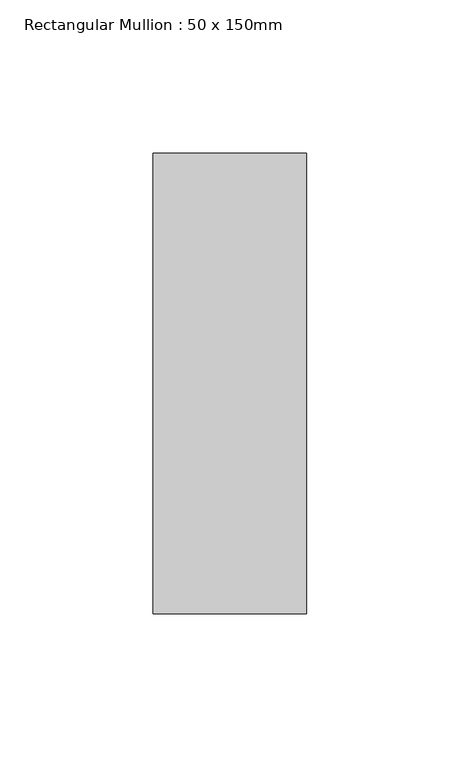
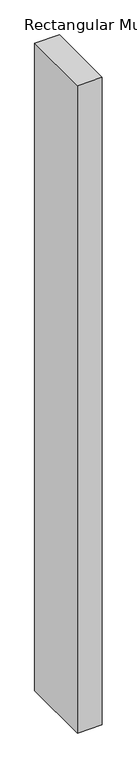
"""IFC4 building model written with IfcOpenShell, lengths in millimetres: member geometry, Rectangular Mullion : 50 x 150mm."""

from ifc_helpers import new_model, si_unit, frame, origin, place, context, project, spatial, polyline, outline, extrude, source, transform, mapped, element, save


def rectangular_mullion_50_x_150mm_6f85072f(model_context):
    return source(origin(), model_context, "Body", "SweptSolid", [
        extrude(outline(polyline([(25.0, 75.0), (25.0, -75.0), (-25.0, -75.0), (-25.0, 75.0), (25.0, 75.0)])), frame((0.0, 0.0, -1386.8421053), z_axis=(0.0, 0.0, 1.0), x_axis=(1.0, 0.0, 0.0)), (0.0, 0.0, 1.0), 1386.8421053),
    ])


if __name__ == "__main__":
    model = new_model("IFC4")
    model_context = context("Model", 3, world=origin())
    ifc_project = project(units=[si_unit("LENGTHUNIT", "METRE", prefix="MILLI")], contexts=[model_context])
    site = spatial("IfcSite", under=ifc_project)
    building = spatial("IfcBuilding", under=site)
    placement = place(None, origin())
    rectangular_mullion_50_x_150mm_shape = rectangular_mullion_50_x_150mm_6f85072f(model_context)
    element("IfcMember", 1, ObjectType="Rectangular Mullion : 50 x 150mm", at=placement, inside=building, context=model_context, shape_type="MappedRepresentation", body=[
        mapped(rectangular_mullion_50_x_150mm_shape, transform((0.0, 0.0, 0.0), x_axis=(1.0, 0.0, 0.0), y_axis=(0.0, 1.0, 0.0), z_axis=(0.0, 0.0, 1.0))),
    ])
    save(model, "model.ifc")
